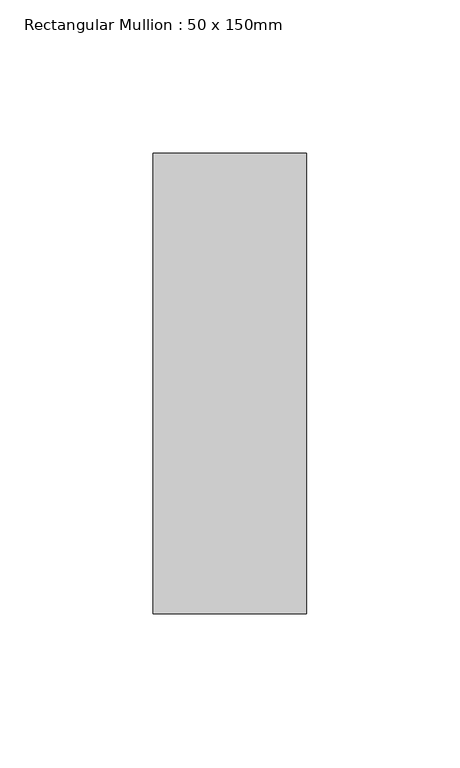
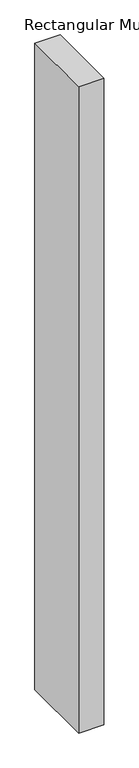
"""IFC4 building model written with IfcOpenShell, lengths in millimetres: member geometry, Rectangular Mullion : 50 x 150mm."""

from ifc_helpers import new_model, si_unit, frame, origin, place, context, project, spatial, polyline, outline, extrude, source, transform, mapped, element, save


def rectangular_mullion_50_x_150mm_93b055f2(model_context):
    return source(origin(), model_context, "Body", "SweptSolid", [
        extrude(outline(polyline([(25.0, 75.0), (25.0, -75.0), (-25.0, -75.0), (-25.0, 75.0), (25.0, 75.0)])), frame((0.0, 0.0, -1355.0), z_axis=(0.0, 0.0, 1.0), x_axis=(1.0, 0.0, 0.0)), (0.0, 0.0, 1.0), 1355.0),
    ])


if __name__ == "__main__":
    model = new_model("IFC4")
    model_context = context("Model", 3, world=origin())
    ifc_project = project(units=[si_unit("LENGTHUNIT", "METRE", prefix="MILLI")], contexts=[model_context])
    site = spatial("IfcSite", under=ifc_project)
    building = spatial("IfcBuilding", under=site)
    placement = place(None, origin())
    rectangular_mullion_50_x_150mm_shape = rectangular_mullion_50_x_150mm_93b055f2(model_context)
    element("IfcMember", 1, ObjectType="Rectangular Mullion : 50 x 150mm", at=placement, inside=building, context=model_context, shape_type="MappedRepresentation", body=[
        mapped(rectangular_mullion_50_x_150mm_shape, transform((0.0, 0.0, 0.0), x_axis=(1.0, 0.0, 0.0), y_axis=(0.0, 1.0, 0.0), z_axis=(0.0, 0.0, 1.0))),
    ])
    save(model, "model.ifc")
